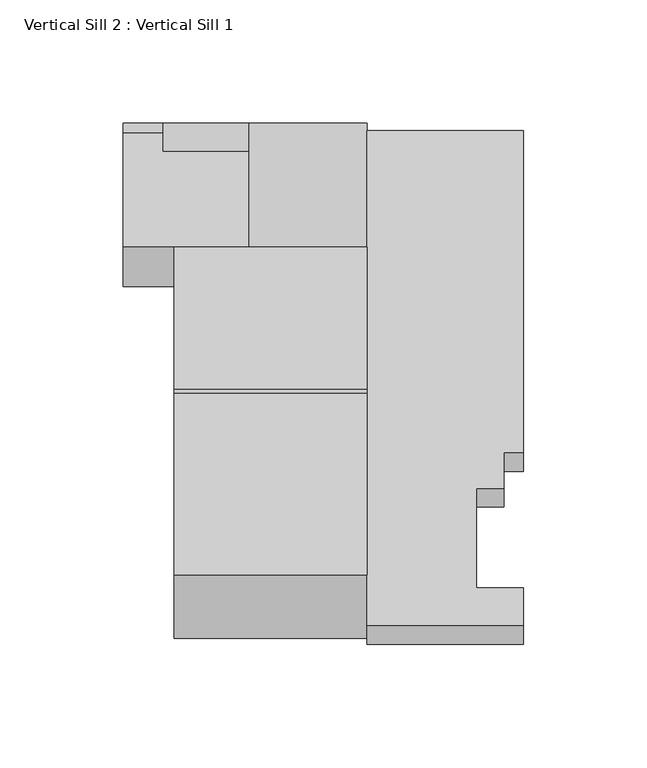
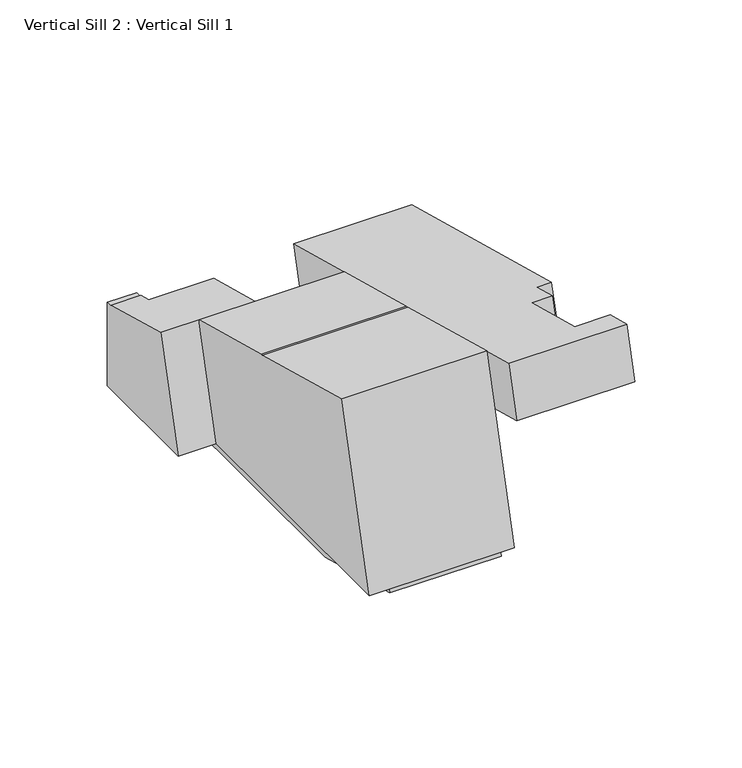
"""IFC4 building model written with IfcOpenShell, lengths in millimetres: proxy geometry, Vertical Sill 2 : Vertical Sill 1."""

from ifc_helpers import new_model, si_unit, frame, origin, place, context, project, spatial, polyline, outline, extrude, faceted_brep, source, transform, mapped, element, save


def vertical_sill_2_vertical_sill_1_498c88e0(model_context):
    return source(origin(), model_context, "Body", "SolidModel", [
        extrude(outline(polyline([(2519.072171, 949.86816), (2592.6757189, 930.1461488), (2592.55757, 929.7052108), (2594.3213218, 929.7052108), (2652.0017965, 914.2497742), (2652.0017965, 853.5052108), (2493.2517965, 853.5052108), (2519.072171, 949.86816)])), frame((-5223.9266598, 0.0, 0.0), z_axis=(1.0, 0.0, 0.0), x_axis=(0.0, 1.0, 0.0)), (0.0, 0.0, 1.0), 78.1533654),
        faceted_brep([(-5244.5387892, 2652.2248529, 914.1900064), (-5193.7800642, 2652.2248529, 914.1900064), (-5193.7800642, 2690.7745681, 903.8606413), (-5228.6637892, 2690.7745681, 903.8606413), (-5228.6637892, 2698.1428643, 901.8863123), (-5244.5387892, 2698.1428643, 901.8863123), (-5244.5387892, 2697.9169086, 901.0430342), (-5244.5387892, 2702.1641188, 901.0430342), (-5244.5387892, 2702.1641188, 853.5052108), (-5244.5387892, 2635.964411, 853.5052108), (-5228.6637892, 2697.9169086, 901.0430342), (-5228.6637892, 2687.9756168, 893.4148127), (-5228.6637892, 2702.1641188, 893.4148127), (-5228.6637892, 2702.1641188, 901.0430342), (-5193.7800642, 2687.9756168, 893.4148127), (-5193.7800642, 2635.964411, 853.5052108), (-5193.7800642, 2702.1641188, 853.5052108), (-5193.7800642, 2702.1641188, 893.4148127), (-5205.7529892, 2635.964411, 853.5052108), (-5205.7529892, 2702.1641188, 853.5052108), (-5145.7732944, 2702.1641188, 853.5052108), (-5145.7732944, 2702.1641188, 824.9302108), (-5205.7529892, 2702.1641188, 824.9302108), (-5205.7529892, 2508.9798141, 853.5052108), (-5145.7732944, 2508.9798141, 853.5052108), (-5145.7732944, 2505.6545923, 841.1033427), (-5145.7732944, 2565.8456639, 824.9647532), (-5205.7529892, 2565.9744942, 824.9302108), (-5205.7529892, 2505.6545923, 841.1033427)], [[[0, 1, 2, 3, 4, 5]], [[0, 5, 6, 7, 8, 9]], [[5, 4, 10, 6]], [[4, 3, 11, 12, 13, 10]], [[3, 2, 14, 11]], [[2, 1, 15, 16, 17, 14]], [[1, 0, 9, 18, 15]], [[7, 6, 10, 13]], [[12, 11, 14, 17]], [[9, 8, 19, 18]], [[20, 21, 22, 19, 8, 7, 13, 12, 17, 16]], [[23, 24, 20, 16, 15, 18]], [[21, 20, 24, 25, 26]], [[22, 21, 26, 27]], [[19, 22, 27, 28, 23, 18]], [[23, 28, 25, 24]], [[28, 27, 26, 25]]]),
        extrude(outline(polyline([(-57.15, 0.0), (6.35, 0.0), (6.35, -207.7920799), (-57.15, -207.7920799), (-57.15, -72.5932), (-49.2252, -72.5932), (-49.2252, -57.5310001), (-38.1, -57.5310001), (-38.1, -15.875), (-57.15, -15.875), (-57.15, 0.0)])), frame((-5139.4232944, 2490.9614208, 927.1971099), z_axis=(0.0, 0.2588190451025266, 0.9659258262890668), x_axis=(-1.0, 0.0, 0.0)), (0.0, 0.0, 1.0), 29.1741503),
    ])


if __name__ == "__main__":
    model = new_model("IFC4")
    model_context = context("Model", 3, world=origin())
    ifc_project = project(units=[si_unit("LENGTHUNIT", "METRE", prefix="MILLI")], contexts=[model_context])
    site = spatial("IfcSite", under=ifc_project)
    building = spatial("IfcBuilding", under=site)
    placement = place(None, origin())
    vertical_sill_2_vertical_sill_1_shape = vertical_sill_2_vertical_sill_1_498c88e0(model_context)
    element("IfcBuildingElementProxy", 1, Name="Vertical Sill 2 : Vertical Sill 1", ObjectType="Vertical Sill 2 : Vertical Sill 1", at=placement, inside=building, context=model_context, shape_type="MappedRepresentation", body=[
        mapped(vertical_sill_2_vertical_sill_1_shape, transform((0.0, 0.0, 0.0), x_axis=(1.0, 0.0, 0.0), y_axis=(0.0, 1.0, 0.0), z_axis=(0.0, 0.0, 1.0))),
    ])
    save(model, "model.ifc")
